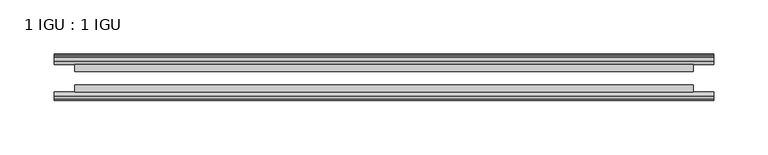
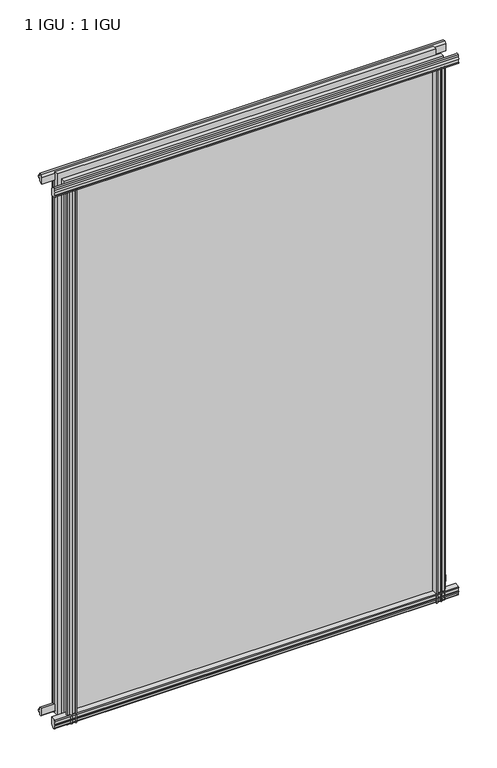
"""IFC4 building model written with IfcOpenShell, lengths in millimetres: plate geometry, 1 IGU : 1 IGU."""

import ifcopenshell
import ifcopenshell.guid

model = None  # the IFC model being written
_history = None  # IfcOwnerHistory: only IFC2X3 demands one
_inside = {}  # id of a spatial element -> (the spatial element, [elements in it])
_under = {}  # id of a project, library or spatial element -> (it, [spatial elements below it])
_declared = {}  # id of a project -> (the project, [libraries it declares])
_typed = {}  # id of a type object -> (the type object, [elements of that type])
_made_of = {}  # id of a material, layer set ... -> (it, [elements and type objects made of it])


def new_model(schema):
    """Start an empty IFC model of exactly this schema.

    Asked for "IFC4X3", IfcOpenShell would pick the latest addendum, in which some entities
    have other attributes; the version numbers below select the first issue.
    IFC2X3 requires an IfcOwnerHistory on every rooted entity: one is made here for all.
    """
    global model, _history
    if schema == "IFC4X3":
        model = ifcopenshell.file(schema_version=(4, 3, 0, 0))
    else:
        model = ifcopenshell.file(schema=schema)
    _inside.clear()
    _under.clear()
    _declared.clear()
    _typed.clear()
    _made_of.clear()
    _history = None
    if model.schema == "IFC2X3":
        org = make("IfcOrganization", Name="unknown")
        user = make(
            "IfcPersonAndOrganization",
            ThePerson=make("IfcPerson", FamilyName="unknown"),
            TheOrganization=org,
        )
        app = make(
            "IfcApplication",
            ApplicationDeveloper=org,
            Version="unknown",
            ApplicationFullName="unknown",
            ApplicationIdentifier="unknown",
        )
        _history = make(
            "IfcOwnerHistory",
            OwningUser=user,
            OwningApplication=app,
            ChangeAction="ADDED",
            CreationDate=0,
        )
    return model


def make(cls, **values):
    """One entity of the class cls with the attributes given. An attribute that is None is left unset."""
    return model.create_entity(
        cls, **{name: value for name, value in values.items() if value is not None}
    )


def rooted(cls, **values):
    """An entity with a GlobalId (a new one), such as an element, a storey or a relation."""
    return make(cls, GlobalId=ifcopenshell.guid.new(), OwnerHistory=_history, **values)


def si_unit(unit_type, name, prefix=None):
    """IfcSIUnit, for example si_unit("LENGTHUNIT", "METRE", prefix="MILLI")."""
    return make("IfcSIUnit", UnitType=unit_type, Prefix=prefix, Name=name)


def assignment(units):
    """IfcUnitAssignment: the units of a project."""
    return None if units is None else make("IfcUnitAssignment", Units=units)


def point(xyz):
    """IfcCartesianPoint."""
    return None if xyz is None else make("IfcCartesianPoint", Coordinates=xyz)


def direction(xyz):
    """IfcDirection."""
    return None if xyz is None else make("IfcDirection", DirectionRatios=xyz)


def frame(location, z_axis=None, x_axis=None):
    """IfcAxis2Placement3D, a coordinate frame: its origin and axes. An axis left out is left unset."""
    return make(
        "IfcAxis2Placement3D",
        Location=point(location),
        Axis=direction(z_axis),
        RefDirection=direction(x_axis),
    )


def frame_2d(location, x_axis=None):
    """IfcAxis2Placement2D, a coordinate frame in the plane: its origin and x axis."""
    return make(
        "IfcAxis2Placement2D", Location=point(location), RefDirection=direction(x_axis)
    )


def origin():
    """The frame at (0, 0, 0) with its axes left unset."""
    return frame((0.0, 0.0, 0.0))


def place(relative_to, where):
    """IfcLocalPlacement: puts the frame where relative to a parent placement (None: the world)."""
    return make(
        "IfcLocalPlacement", PlacementRelTo=relative_to, RelativePlacement=where
    )


def context(
    kind, dimensions, precision=None, world=None, true_north=None, identifier=None
):
    """IfcGeometricRepresentationContext, for example the 3D "Model" context."""
    return make(
        "IfcGeometricRepresentationContext",
        ContextIdentifier=identifier,
        ContextType=kind,
        CoordinateSpaceDimension=dimensions,
        Precision=precision,
        WorldCoordinateSystem=world,
        TrueNorth=true_north,
    )


def project(units=None, contexts=None):
    """IfcProject with its units and contexts."""
    return rooted(
        "IfcProject",
        Name="project",
        RepresentationContexts=contexts,
        UnitsInContext=assignment(units),
    )


def spatial(cls, under=None, at=None, **own):
    """A site, building, storey or space (cls), placed at a placement, below another one or the project."""
    s = rooted(cls, ObjectPlacement=at, **own)
    if under is not None:
        _under.setdefault(under.id(), (under, []))[1].append(s)
    return s


def polyline(points):
    """IfcPolyline through the points."""
    return make("IfcPolyline", Points=[point(p) for p in points])


def circle_curve(where, radius):
    """IfcCircle in the frame where."""
    return make("IfcCircle", Position=where, Radius=radius)


def trimmed(basis, trim1, trim2, sense, master):
    """IfcTrimmedCurve: the piece of a basis curve between two trims."""
    return make(
        "IfcTrimmedCurve",
        BasisCurve=basis,
        Trim1=trim1,
        Trim2=trim2,
        SenseAgreement=sense,
        MasterRepresentation=master,
    )


def segment(curve, same_sense, transition):
    """IfcCompositeCurveSegment."""
    return make(
        "IfcCompositeCurveSegment",
        Transition=transition,
        SameSense=same_sense,
        ParentCurve=curve,
    )


def composite_curve(segments, self_intersect=None):
    """IfcCompositeCurve: segments joined end to end."""
    return make("IfcCompositeCurve", Segments=segments, SelfIntersect=self_intersect)


def outline(outer, holes=None, kind="AREA"):
    """IfcArbitraryClosedProfileDef: a profile drawn as a closed curve; with holes, ...WithVoids."""
    if holes is None:
        return make("IfcArbitraryClosedProfileDef", ProfileType=kind, OuterCurve=outer)
    return make(
        "IfcArbitraryProfileDefWithVoids",
        ProfileType=kind,
        OuterCurve=outer,
        InnerCurves=holes,
    )


def extrude(swept, where, along, depth):
    """IfcExtrudedAreaSolid: the profile swept, set in the frame where, extruded along a direction by depth."""
    return make(
        "IfcExtrudedAreaSolid",
        SweptArea=swept,
        Position=where,
        ExtrudedDirection=direction(along),
        Depth=depth,
    )


def shape(context_of_items, identifier, shape_type, items):
    """IfcShapeRepresentation: the items that make up one representation, for example the "Body"."""
    return make(
        "IfcShapeRepresentation",
        ContextOfItems=context_of_items,
        RepresentationIdentifier=identifier,
        RepresentationType=shape_type,
        Items=items,
    )


def source(mapping_origin, context_of_items, identifier, shape_type, items):
    """IfcRepresentationMap: a shape defined once, which mapped items show again and again."""
    return make(
        "IfcRepresentationMap",
        MappingOrigin=mapping_origin,
        MappedRepresentation=shape(context_of_items, identifier, shape_type, items),
    )


def transform(
    local_origin,
    x_axis=None,
    y_axis=None,
    z_axis=None,
    scale=None,
    scale2=None,
    scale3=None,
    uniform=True,
):
    """IfcCartesianTransformationOperator3D, or its non-uniform kind. x_axis, y_axis, z_axis: its Axis1, 2, 3."""
    if uniform:
        return make(
            "IfcCartesianTransformationOperator3D",
            Axis1=direction(x_axis),
            Axis2=direction(y_axis),
            LocalOrigin=point(local_origin),
            Scale=scale,
            Axis3=direction(z_axis),
        )
    return make(
        "IfcCartesianTransformationOperator3DnonUniform",
        Axis1=direction(x_axis),
        Axis2=direction(y_axis),
        LocalOrigin=point(local_origin),
        Scale=scale,
        Axis3=direction(z_axis),
        Scale2=scale2,
        Scale3=scale3,
    )


def mapped(mapping_source, mapping_target):
    """IfcMappedItem: shows the shape of a source again, moved by a transform."""
    return make(
        "IfcMappedItem", MappingSource=mapping_source, MappingTarget=mapping_target
    )


def made_of(thing, what):
    """Note that an element or type object is made of a material, layer set ...; save() writes the relation."""
    if what is not None:
        _made_of.setdefault(what.id(), (what, []))[1].append(thing)
    return thing


def element(
    cls,
    number,
    at=None,
    inside=None,
    cuts=None,
    type_object=None,
    material=None,
    context=None,
    identifier="Body",
    shape_type=None,
    held_by="IfcProductDefinitionShape",
    body=None,
    shapes=None,
    **own,
):
    """One element of the class cls, such as IfcWall. Its Tag is "e" and its number.

    at: its placement. inside: the storey or other place that contains it. cuts: it is an
    opening in that element (IfcRelVoidsElement). A single representation is given by context,
    identifier, shape_type and body (its items); several are given by shapes. held_by: the class
    of the entity that holds the representations. save() writes the other relations.
    """
    e = rooted(cls, Tag="e%d" % number, ObjectPlacement=at, **own)
    if body is not None:
        shapes = [shape(context, identifier, shape_type, body)]
    if shapes is not None:
        e.Representation = make(held_by, Representations=shapes)
    if inside is not None:
        _inside.setdefault(inside.id(), (inside, []))[1].append(e)
    if cuts is not None:
        rooted(
            "IfcRelVoidsElement", RelatingBuildingElement=cuts, RelatedOpeningElement=e
        )
    if type_object is not None:
        _typed.setdefault(type_object.id(), (type_object, []))[1].append(e)
    return made_of(e, material)


def aggregate(whole, parts):
    """IfcRelAggregates: a whole, such as a stair, and the parts it consists of."""
    return rooted("IfcRelAggregates", RelatingObject=whole, RelatedObjects=parts)


def save(model, path):
    """Write the relations noted so far, then the file.

    IfcRelAggregates (storeys below a building ...), IfcRelContainedInSpatialStructure (elements
    in a storey), IfcRelDefinesByType, IfcRelAssociatesMaterial and IfcRelDeclares: one each for
    every whole, place, type object, material and project.
    """
    for whole, parts in _under.values():
        aggregate(whole, parts)
    for where, things in _inside.values():
        rooted(
            "IfcRelContainedInSpatialStructure",
            RelatedElements=things,
            RelatingStructure=where,
        )
    for kind, things in _typed.values():
        rooted("IfcRelDefinesByType", RelatedObjects=things, RelatingType=kind)
    for what, things in _made_of.values():
        rooted("IfcRelAssociatesMaterial", RelatedObjects=things, RelatingMaterial=what)
    for by, libraries in _declared.values():
        rooted("IfcRelDeclares", RelatingContext=by, RelatedDefinitions=libraries)
    model.write(path)


def plate_1_igu_1_igu_af0709fb(model_context):
    return source(origin(), model_context, "Body", "SweptSolid", [
        extrude(outline(composite_curve([segment(polyline([(-46.2359545, 846.392137), (-46.2359545, 835.3699197), (-53.3197108, 836.7372291)]), True, "CONTINUOUS"), segment(trimmed(circle_curve(frame_2d((-53.1447545, 837.7380519)), 1.016), [point((-53.3197108, 836.7372291))], [point((-53.8888005, 838.4298983))], False, "CARTESIAN"), True, "CONTINUOUS"), segment(polyline([(-53.8888005, 838.4298983), (-52.5859205, 838.2460519), (-52.5859205, 843.6562519), (-54.0652165, 843.9170917), (-52.5859205, 846.5010519), (-52.5859205, 849.6760519)]), True, "CONTINUOUS"), segment(trimmed(circle_curve(frame_2d((-51.3159205, 849.6760519)), 1.27), [point((-52.5859205, 849.6760519))], [point((-50.4178949, 850.5740775))], False, "CARTESIAN"), True, "CONTINUOUS"), segment(polyline([(-50.4178949, 850.5740775), (-46.2359545, 846.392137)]), True, "CONTINUOUS")], self_intersect=False)), frame((-304.8, 0.0, 0.0), z_axis=(1.0, 0.0, 0.0), x_axis=(0.0, 1.0, 0.0)), (0.0, 0.0, 1.0), 609.6),
        extrude(outline(polyline([(-17.4323375, 850.8285625), (-14.4859375, 850.8285625), (-14.4859375, 846.3835625), (-12.1057405, 846.0025625), (-12.5656738, 847.4180916), (-11.7644596, 847.4180916), (-11.0569375, 845.2405625), (-11.7644596, 843.0630334), (-12.5656738, 843.0630334), (-12.1057405, 844.4785625), (-14.4859375, 844.0975625), (-14.4859375, 838.8905625), (-20.8359545, 837.1728398), (-20.8359545, 847.9942062), (-17.4323375, 850.8285625)])), frame((-304.8, 0.0, 0.0), z_axis=(1.0, 0.0, 0.0), x_axis=(0.0, 1.0, 0.0)), (0.0, 0.0, 1.0), 609.6),
        extrude(outline(polyline([(-20.8359545, 1.2049602), (-14.4859375, -0.5127625), (-14.4859375, -5.7197625), (-12.1057405, -6.1007625), (-12.5656738, -4.6852334), (-11.7644596, -4.6852334), (-11.0569375, -6.8627625), (-11.7644596, -9.0402916), (-12.5656738, -9.0402916), (-12.1057405, -7.6247625), (-14.4859375, -8.0057625), (-14.4859375, -12.4507625), (-17.4323375, -12.4507625), (-20.8359545, -9.6164062), (-20.8359545, 1.2049602)])), frame((-304.8, 0.0, 0.0), z_axis=(1.0, 0.0, 0.0), x_axis=(0.0, 1.0, 0.0)), (0.0, 0.0, 1.0), 609.6),
        extrude(outline(composite_curve([segment(polyline([(-53.3197108, 1.6405709), (-46.2359545, 3.0078803), (-46.2359545, -8.014337), (-50.4178949, -12.1962775)]), True, "CONTINUOUS"), segment(trimmed(circle_curve(frame_2d((-51.3159205, -11.2982519)), 1.27), [point((-50.4178949, -12.1962775))], [point((-52.5859205, -11.2982519))], False, "CARTESIAN"), True, "CONTINUOUS"), segment(polyline([(-52.5859205, -11.2982519), (-52.5859205, -8.1232519), (-54.0652165, -5.5392917), (-52.5859205, -5.2784519), (-52.5859205, 0.1317481), (-53.8888005, -0.0520983)]), True, "CONTINUOUS"), segment(trimmed(circle_curve(frame_2d((-53.1447545, 0.6397481)), 1.016), [point((-53.8888005, -0.0520983))], [point((-53.3197108, 1.6405709))], False, "CARTESIAN"), True, "CONTINUOUS")], self_intersect=False)), frame((-304.8, 0.0, 0.0), z_axis=(1.0, 0.0, 0.0), x_axis=(0.0, 1.0, 0.0)), (0.0, 0.0, 1.0), 609.6),
        extrude(outline(polyline([(-280.6994802, -12.1057405), (-282.1150093, -12.5656738), (-282.1150093, -11.7644596), (-279.9374802, -11.0569375), (-277.7599512, -11.7644596), (-277.7599512, -12.5656738), (-279.1754802, -12.1057405), (-278.7944802, -14.4859375), (-273.5874802, -14.4859375), (-271.8697622, -20.8359375), (-282.6911381, -20.8359375), (-285.5254802, -17.4323375), (-285.5254802, -14.4859375), (-281.0804802, -14.4859375), (-280.6994802, -12.1057405)])), frame((0.0, 0.0, -12.6752823), z_axis=(0.0, 0.0, 1.0), x_axis=(1.0, 0.0, 0.0)), (0.0, 0.0, 1.0), 851.0530823),
        extrude(outline(composite_curve([segment(polyline([(-281.0890378, -46.2359375), (-270.0668342, -46.2359375), (-271.4341468, -53.3197108)]), True, "CONTINUOUS"), segment(trimmed(circle_curve(frame_2d((-272.4349696, -53.1447545)), 1.016), [point((-271.4341468, -53.3197108))], [point((-273.1268161, -53.8888005))], False, "CARTESIAN"), True, "CONTINUOUS"), segment(polyline([(-273.1268161, -53.8888005), (-272.9429696, -52.5859205), (-278.3531696, -52.5859205), (-278.6140094, -54.0652165), (-281.1979696, -52.5859205), (-284.3729696, -52.5859205)]), True, "CONTINUOUS"), segment(trimmed(circle_curve(frame_2d((-284.3729696, -51.3159205)), 1.27), [point((-284.3729696, -52.5859205))], [point((-285.2709953, -50.4178949))], False, "CARTESIAN"), True, "CONTINUOUS"), segment(polyline([(-285.2709953, -50.4178949), (-281.0890378, -46.2359375)]), True, "CONTINUOUS")], self_intersect=False)), frame((0.0, 0.0, -12.6752823), z_axis=(0.0, 0.0, 1.0), x_axis=(1.0, 0.0, 0.0)), (0.0, 0.0, 1.0), 851.0530823),
        extrude(outline(composite_curve([segment(polyline([(271.4341468, -53.3197108), (270.0668342, -46.2359375), (281.0890378, -46.2359375), (285.2709953, -50.4178949)]), True, "CONTINUOUS"), segment(trimmed(circle_curve(frame_2d((284.3729696, -51.3159205)), 1.27), [point((285.2709953, -50.4178949))], [point((284.3729696, -52.5859205))], False, "CARTESIAN"), True, "CONTINUOUS"), segment(polyline([(284.3729696, -52.5859205), (281.1979696, -52.5859205), (278.6140094, -54.0652165), (278.3531696, -52.5859205), (272.9429696, -52.5859205), (273.1659331, -53.8504091)]), True, "CONTINUOUS"), segment(trimmed(circle_curve(frame_2d((272.4349696, -53.1447545)), 1.016), [point((273.1659331, -53.8504091))], [point((271.4341468, -53.3197108))], False, "CARTESIAN"), True, "CONTINUOUS")], self_intersect=False)), frame((0.0, 0.0, -12.6752823), z_axis=(0.0, 0.0, 1.0), x_axis=(1.0, 0.0, 0.0)), (0.0, 0.0, 1.0), 851.0530823),
        extrude(outline(polyline([(277.7599512, -11.7644596), (279.9374802, -11.0569375), (282.1150093, -11.7644596), (282.1150093, -12.5656738), (280.6994802, -12.1057405), (281.0804802, -14.4859375), (285.5254802, -14.4859375), (285.5254802, -17.4323375), (282.6911381, -20.8359375), (271.8697622, -20.8359375), (273.5874802, -14.4859375), (278.7944802, -14.4859375), (279.1754802, -12.1057405), (277.7599512, -12.5656738), (277.7599512, -11.7644596)])), frame((0.0, 0.0, -12.6752823), z_axis=(0.0, 0.0, 1.0), x_axis=(1.0, 0.0, 0.0)), (0.0, 0.0, 1.0), 851.0530823),
        extrude(outline(polyline([(285.75, -20.8359375), (285.75, -27.1859375), (-285.75, -27.1859375), (-285.75, -20.8359375), (285.75, -20.8359375)])), frame((0.0, 0.0, -12.6752823), z_axis=(0.0, 0.0, 1.0), x_axis=(1.0, 0.0, 0.0)), (0.0, 0.0, 1.0), 863.7283645),
        extrude(outline(polyline([(-285.75, -46.2359375), (-285.75, -39.8859375), (285.75, -39.8859375), (285.75, -46.2359375), (-285.75, -46.2359375)])), frame((0.0, 0.0, -12.6752823), z_axis=(0.0, 0.0, 1.0), x_axis=(1.0, 0.0, 0.0)), (0.0, 0.0, 1.0), 863.7283645),
    ])


if __name__ == "__main__":
    model = new_model("IFC4")
    model_context = context("Model", 3, world=origin())
    ifc_project = project(units=[si_unit("LENGTHUNIT", "METRE", prefix="MILLI")], contexts=[model_context])
    site = spatial("IfcSite", under=ifc_project)
    building = spatial("IfcBuilding", under=site)
    placement = place(None, origin())
    plate_1_igu_1_igu_shape = plate_1_igu_1_igu_af0709fb(model_context)
    element("IfcPlate", 1, ObjectType="1 IGU : 1 IGU", at=placement, inside=building, context=model_context, shape_type="MappedRepresentation", body=[
        mapped(plate_1_igu_1_igu_shape, transform((0.0, 0.0, 0.0), x_axis=(1.0, 0.0, 0.0), y_axis=(0.0, 1.0, 0.0), z_axis=(0.0, 0.0, 1.0))),
    ])
    save(model, "model.ifc")
